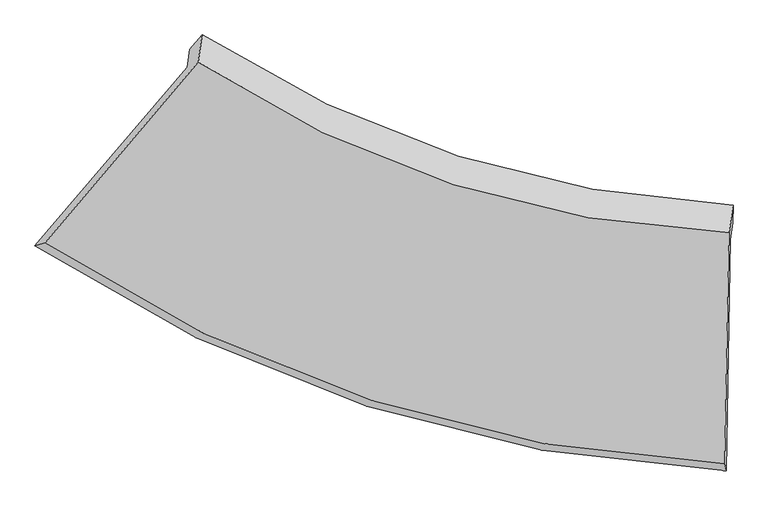
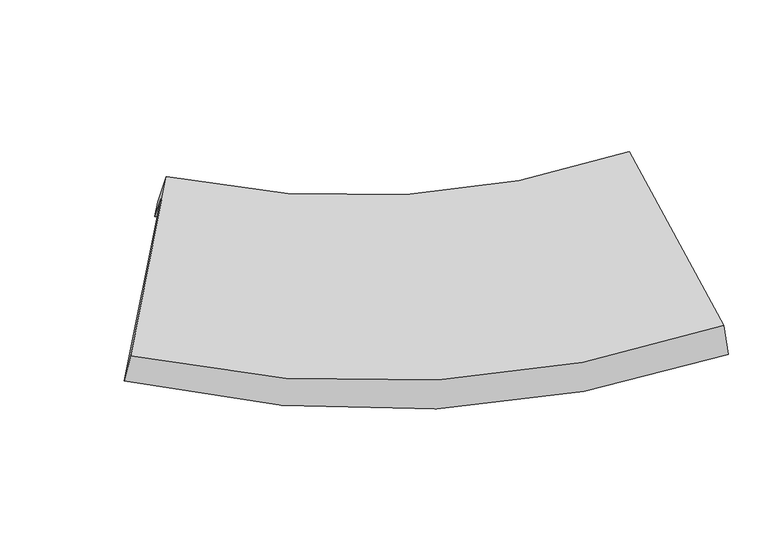
"""IFC4 building model written with IfcOpenShell, lengths in millimetres: proxy geometry."""

from ifc_helpers import new_model, si_unit, frame, origin, place, context, project, spatial, source, transform, mapped, element, save
from ifc_brep_helpers import plane_surface, spline_curve, spline_surface, advanced_brep


def generic_models_3aff11bf(model_context):
    return source(origin(), model_context, "Body", "AdvancedBrep", [
        advanced_brep(
        [(-1219.7454437, -873.1270695, 2304.8809508), (-1206.8163651, -782.6891003, 2123.6354501), (1476.7280258, -1640.4253202, 1881.0739258), (1464.6978487, -1724.575539, 2049.7182314), (-1973.0808292, -1753.7765369, 1811.7151534), (1445.0118805, -2867.0190318, 1478.2569232), (-1921.1497572, -1738.3858856, 1959.8456005), (1437.1521284, -2831.5139529, 1664.7547377), (-1165.8090133, -846.7845571, 2432.6452449), (1458.4489198, -1691.424873, 2202.1456303), (-1146.5789284, -712.2715047, 2163.0694712), (1478.2339777, -1553.029824, 1924.7900001)],
        [
            (0, 1),
            (1, 2, spline_curve(3, [(-1206.8163651, -782.6891003, 2123.6354501), (-797.394282714, -1046.37000676, 2016.242733699), (-366.049529707, -1249.835383875, 1942.492445938), (529.513723793, -1532.867636275, 1863.247561038), (992.683767764, -1615.314332416, 1856.144007379), (1476.7280258, -1640.4253202, 1881.0739258)], [4, 2, 4], [0.0, 0.5061255270751259, 1.0])),
            (2, 3),
            (3, 0, spline_curve(3, [(1464.6978487, -1724.575539, 2049.7182314), (980.378463171, -1701.389048123, 2028.645171003), (516.996085858, -1620.427608244, 2038.725306492), (-378.869955442, -1339.513334578, 2122.214803659), (-810.302008992, -1136.658617929, 2197.188908016), (-1219.7454437, -873.1270695, 2304.8809508)], [4, 2, 4], [0.0, 0.4938744729248741, 1.0])),
            (4, 0),
            (3, 5),
            (5, 4, spline_curve(3, [(1445.0118805, -2867.0190318, 1478.2569232), (823.920426691, -2835.972893666, 1451.349090315), (231.665583436, -2729.748584666, 1464.841836347), (-909.147039859, -2362.443753558, 1573.96536572), (-1456.256432982, -2097.587230931, 1671.625362815), (-1973.0808292, -1753.7765369, 1811.7151534)], [4, 2, 4], [0.0, 5.286106887212239, 10.703340984413133])),
            (6, 4),
            (5, 7),
            (7, 6, spline_curve(3, [(1437.1521284, -2831.5139529, 1664.7547377), (828.520615623, -2803.088448131, 1638.976611723), (247.433299604, -2699.825891883, 1649.921711218), (-873.384134279, -2339.208736418, 1746.44082163), (-1411.730780136, -2078.095270267, 1833.859343265), (-1921.1497572, -1738.3858856, 1959.8456005)], [4, 2, 4], [0.0, 5.8752403385790695, 11.896221936282956])),
            (8, 6),
            (7, 9),
            (9, 8, spline_curve(3, [(1458.4489198, -1691.424873, 2202.1456303), (984.240088107, -1669.25840375, 2181.703007415), (530.868230437, -1589.366753032, 2190.097014336), (-344.930999832, -1310.71936432, 2265.481831542), (-766.311786721, -1109.064242938, 2333.921029422), (-1165.8090133, -846.7845571, 2432.6452449)], [4, 2, 4], [0.0, 5.181233184310124, 10.490992080690653])),
            (10, 8),
            (9, 11),
            (11, 10, spline_curve(3, [(1478.2339777, -1553.029824, 1924.7900001), (1004.324060329, -1528.772470355, 1900.157064203), (551.05836947, -1448.138191434, 1907.062780285), (-324.916170797, -1170.717082134, 1984.905167618), (-746.58811528, -971.098587944, 2057.425941913), (-1146.5789284, -712.2715047, 2163.0694712)], [4, 2, 4], [0.0, 0.4938744729248741, 1.0])),
            (1, 10),
            (11, 2),
        ],
        [
            spline_surface(3, 3, [[(-1219.7454437, -873.1270695, 2304.8809508), (-810.302008984, -1136.658617931, 2197.188908022), (-378.869955448, -1339.513334582, 2122.214803663), (516.996085864, -1620.427608239, 2038.725306488), (980.378463163, -1701.389048129, 2028.645171004), (1464.6978487, -1724.575539, 2049.7182314)], [(-1215.435750846, -842.981079744, 2244.465783912), (-805.999433575, -1106.562414182, 2136.873516593), (-374.596480199, -1309.620684355, 2062.307351069), (521.168631848, -1591.240950923, 1980.232724657), (984.48023137, -1672.697476237, 1971.144783121), (1468.707907742, -1696.525466082, 1993.50346286)], [(-1211.126057954, -812.835090056, 2184.050616988), (-801.696858127, -1076.466210503, 2076.558125129), (-370.323004963, -1279.728034107, 2002.399898524), (525.341177818, -1562.054293586, 1921.740142876), (988.58199955, -1644.0059043, 1913.64439526), (1472.717966758, -1668.475393118, 1937.28869434)], [(-1206.8163651, -782.6891003, 2123.6354501), (-797.394282717, -1046.370006754, 2016.2427337), (-366.049529715, -1249.83538388, 1942.49244593), (529.513723801, -1532.86763627, 1863.247561046), (992.683767757, -1615.314332409, 1856.144007377), (1476.7280258, -1640.4253202, 1881.0739258)]], [4, 4], [4, 2, 4], [0.0, 1.0], [0.0, 0.5061255270751259, 1.0]),
            spline_surface(3, 3, [[(-1973.0808292, -1753.7765369, 1811.7151534), (-1456.256433005, -2097.58723096, 1671.625362834), (-909.147039811, -2362.443753612, 1573.965365636), (231.665583388, -2729.748584614, 1464.841836429), (823.920426777, -2835.972893641, 1451.349090239), (1445.0118805, -2867.0190318, 1478.2569232)], [(-1721.969034035, -1460.226714433, 1976.103752518), (-1240.938291667, -1777.277693284, 1846.813211214), (-732.388011696, -2021.466947269, 1756.71517831), (326.775750874, -2359.974925822, 1656.136326447), (876.073105562, -2457.778278472, 1643.781117173), (1451.573869889, -2486.204534202, 1668.744025945)], [(-1470.857238865, -1166.676891967, 2140.492351682), (-1025.620150323, -1456.968155607, 2022.001059642), (-555.628983563, -1680.490140925, 1939.464990989), (421.885918378, -1990.201267031, 1847.43081647), (928.225784379, -2079.583663297, 1836.21314407), (1458.135859311, -2105.390036598, 1859.231128655)], [(-1219.7454437, -873.1270695, 2304.8809508), (-810.302008984, -1136.658617931, 2197.188908022), (-378.869955448, -1339.513334582, 2122.214803663), (516.996085864, -1620.427608239, 2038.725306488), (980.378463163, -1701.389048129, 2028.645171004), (1464.6978487, -1724.575539, 2049.7182314)]], [4, 4], [4, 2, 4], [0.0, 4.172665039192455], [0.0, 5.417234097200894, 10.703340984413133]),
            spline_surface(3, 3, [[(-1921.1497572, -1738.3858856, 1959.8456005), (-1411.73078014, -2078.095270233, 1833.8593432), (-873.384134329, -2339.208736481, 1746.440821667), (247.433299653, -2699.825891822, 1649.921711183), (828.520615713, -2803.088448033, 1638.976611775), (1437.1521284, -2831.5139529, 1664.7547377)], [(-1938.460114537, -1743.516102706, 1910.468784813), (-1426.572664432, -2084.592590482, 1779.781349757), (-885.305102819, -2346.953742195, 1688.949003001), (242.177394236, -2709.800122757, 1588.22841961), (826.987219391, -2814.049929899, 1576.434104599), (1439.772045756, -2843.348979196, 1602.588799536)], [(-1955.770471863, -1748.646319794, 1861.091969087), (-1441.414548713, -2091.089910712, 1725.703356276), (-897.226071321, -2354.698747897, 1631.457184301), (236.921488806, -2719.774353679, 1526.535128002), (825.4538231, -2825.011411775, 1513.891597415), (1442.391963144, -2855.184005504, 1540.422861364)], [(-1973.0808292, -1753.7765369, 1811.7151534), (-1456.256433005, -2097.58723096, 1671.625362834), (-909.147039811, -2362.443753612, 1573.965365636), (231.665583388, -2729.748584614, 1464.841836429), (823.920426777, -2835.972893641, 1451.349090239), (1445.0118805, -2867.0190318, 1478.2569232)]], [4, 4], [4, 2, 4], [0.0, 0.5985554119578972], [0.0, 6.020981597703886, 11.896221936282956]),
            spline_surface(3, 3, [[(-1165.8090133, -846.7845571, 2432.6452449), (-766.311786785, -1109.06424299, 2333.921029476), (-344.930999914, -1310.719364257, 2265.481831567), (530.868230517, -1589.366753093, 2190.097014312), (984.24008805, -1669.258403784, 2181.703007376), (1458.4489198, -1691.424873, 2202.1456303)], [(-1417.589261259, -1143.984999932, 2275.045363415), (-981.451451229, -1432.074585403, 2167.233800699), (-521.082044699, -1653.549155007, 2092.468161593), (436.38992025, -1959.519799345, 2010.038579929), (932.333597295, -2047.201751848, 2000.794208838), (1451.349989357, -2071.454566282, 2023.015332762)], [(-1669.369509241, -1441.185442768, 2117.445481985), (-1196.591115695, -1755.08492782, 2000.546571977), (-697.233089545, -1996.378945731, 1919.45449164), (341.911609921, -2329.67284557, 1829.980145565), (880.427106468, -2425.145099968, 1819.885410313), (1444.251058843, -2451.484259618, 1843.885035238)], [(-1921.1497572, -1738.3858856, 1959.8456005), (-1411.73078014, -2078.095270233, 1833.8593432), (-873.384134329, -2339.208736481, 1746.440821667), (247.433299653, -2699.825891822, 1649.921711183), (828.520615713, -2803.088448033, 1638.976611775), (1437.1521284, -2831.5139529, 1664.7547377)]], [4, 4], [4, 2, 4], [0.0, 4.135748509653508], [0.0, 5.3097588963805284, 10.490992080690653]),
            spline_surface(3, 3, [[(-1146.5789284, -712.2715047, 2163.0694712), (-746.588115273, -971.098587945, 2057.425941907), (-324.91617079, -1170.717082128, 1984.905167613), (551.058369463, -1448.138191439, 1907.06278029), (1004.324060325, -1528.772470355, 1900.157064211), (1478.2339777, -1553.029824, 1924.7900001)], [(-1152.988956684, -757.109188854, 2252.92806244), (-753.162672427, -1017.087139647, 2149.590971104), (-331.58778051, -1217.3845095, 2078.430722278), (544.328323137, -1495.214378652, 2001.407524978), (997.629402886, -1575.601114855, 1994.005711925), (1471.638958386, -1599.161507024, 2017.241876826)], [(-1159.398985016, -801.946872946, 2342.78665366), (-759.73722963, -1063.075691288, 2241.75600028), (-338.259390195, -1264.051936886, 2171.956276901), (537.598276844, -1542.29056588, 2095.752269623), (990.934745488, -1622.429759283, 2087.854359661), (1465.043939114, -1645.293189976, 2109.693753574)], [(-1165.8090133, -846.7845571, 2432.6452449), (-766.311786785, -1109.06424299, 2333.921029476), (-344.930999914, -1310.719364257, 2265.481831567), (530.868230517, -1589.366753093, 2190.097014312), (984.24008805, -1669.258403784, 2181.703007376), (1458.4489198, -1691.424873, 2202.1456303)]], [4, 4], [4, 2, 4], [0.0, 1.0], [0.0, 0.5061255270751259, 1.0]),
            spline_surface(3, 3, [[(-1206.8163651, -782.6891003, 2123.6354501), (-797.394282717, -1046.370006754, 2016.2427337), (-366.049529715, -1249.83538388, 1942.49244593), (529.513723801, -1532.86763627, 1863.247561046), (992.683767757, -1615.314332409, 1856.144007377), (1476.7280258, -1640.4253202, 1881.0739258)], [(-1186.737219538, -759.21656843, 2136.780123803), (-780.458893574, -1021.279533815, 2029.970469772), (-352.338410085, -1223.462616614, 1956.630019823), (536.695272343, -1504.624487978, 1877.852634126), (996.563865282, -1586.467045038, 1870.815026325), (1477.230009769, -1611.293488113, 1895.64595057)], [(-1166.658073962, -735.74403657, 2149.924797497), (-763.523504416, -996.189060884, 2043.698205835), (-338.62729042, -1197.089849394, 1970.76759372), (543.876820921, -1476.381339732, 1892.45770721), (1000.443962799, -1557.619757726, 1885.486045263), (1477.731993731, -1582.161656087, 1910.21797533)], [(-1146.5789284, -712.2715047, 2163.0694712), (-746.588115273, -971.098587945, 2057.425941907), (-324.91617079, -1170.717082128, 1984.905167613), (551.058369463, -1448.138191439, 1907.06278029), (1004.324060325, -1528.772470355, 1900.157064211), (1478.2339777, -1553.029824, 1924.7900001)]], [4, 4], [4, 2, 4], [0.0, 1.0], [0.0, 0.5061255270751259, 1.0]),
            plane_surface(frame((1460.0454635, -2051.3314235, 1866.7899081), z_axis=(0.9978501229503617, -0.04225366893432235, 0.050097500831247296), x_axis=(-0.016894525193161782, -0.9044209235264384, -0.4263066597017712))),
            plane_surface(frame((-1438.8633895, -1117.839109, 2132.6319785), z_axis=(-0.7988591195869477, 0.5590627538682739, 0.22197509835562446), x_axis=(-0.06369999864532101, -0.44557688254862793, 0.8929745527789874))),
        ],
        [
            (0, [[1, 2, 3, 4]]),
            (1, [[5, -4, 6, 7]]),
            (2, [[8, -7, 9, 10]]),
            (3, [[11, -10, 12, 13]]),
            (4, [[14, -13, 15, 16]]),
            (5, [[17, -16, 18, -2]]),
            (6, [[-12, -9, -6, -3, -18, -15]]),
            (7, [[-1, -5, -8, -11, -14, -17]]),
        ],
    ),
    ])


if __name__ == "__main__":
    model = new_model("IFC4")
    model_context = context("Model", 3, world=origin())
    ifc_project = project(units=[si_unit("LENGTHUNIT", "METRE", prefix="MILLI")], contexts=[model_context])
    site = spatial("IfcSite", under=ifc_project)
    building = spatial("IfcBuilding", under=site)
    placement = place(None, origin())
    generic_models_shape = generic_models_3aff11bf(model_context)
    element("IfcBuildingElementProxy", 1, Name="Generic Models", at=placement, inside=building, context=model_context, shape_type="MappedRepresentation", body=[
        mapped(generic_models_shape, transform((0.0, 0.0, 0.0), x_axis=(1.0, 0.0, 0.0), y_axis=(0.0, 1.0, 0.0), z_axis=(0.0, 0.0, 1.0))),
    ])
    save(model, "model.ifc")
